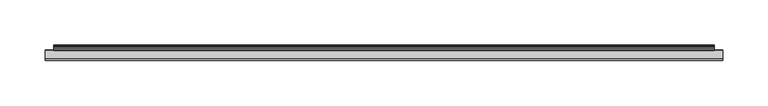
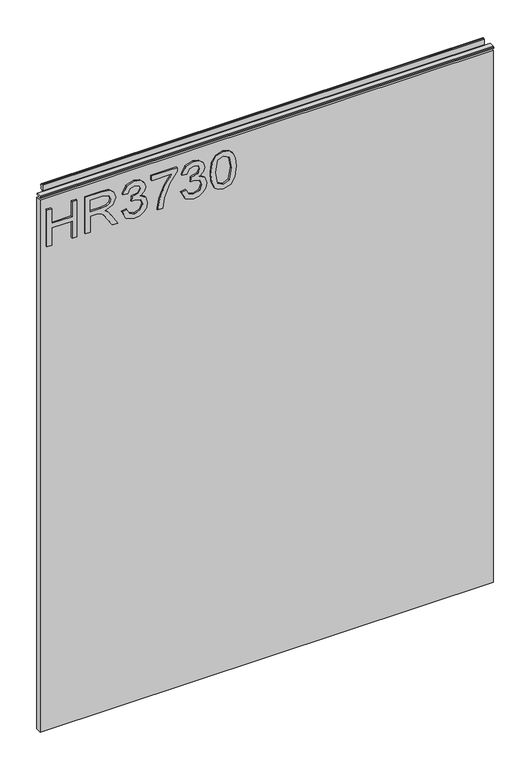
"""IFC4 building model written with IfcOpenShell, lengths in millimetres: furniture geometry."""

from ifc_helpers import new_model, si_unit, frame, origin, place, context, project, spatial, polyline, outline, extrude, source, transform, mapped, element, save


def furniture_7d6abea6(model_context):
    return source(origin(), model_context, "Body", "SweptSolid", [
        extrude(outline(polyline([(951.4078, -288.5795281), (951.4078, -280.6058085), (981.3092486, -280.6058085), (981.3092486, -246.7175001), (951.4078, -246.7175001), (951.4078, -238.7437805), (1015.1975569, -238.7437805), (1015.1975569, -246.7175001), (989.2829682, -246.7175001), (989.2829682, -280.6058085), (1015.1975569, -280.6058085), (1015.1975569, -288.5795281), (951.4078, -288.5795281)])), frame((0.0, -5.6037602, 0.0), z_axis=(0.0, 1.0, 0.0), x_axis=(0.0, 0.0, 1.0)), (0.0, 0.0, 1.0), 2.38125),
        extrude(outline(polyline([(951.4078, -224.7897712), (951.4078, -216.8160515), (979.3158187, -216.8160515), (979.3158187, -207.1915228), (979.0354926, -202.5661424), (977.5170596, -198.7739535), (973.38225, -194.5612755), (964.6298468, -188.5654121), (951.4078, -180.2646454), (951.4078, -170.9983111), (968.694575, -181.6351285), (976.9018996, -188.098202), (980.3125336, -192.6301403), (986.2461023, -179.2757173), (997.7394716, -174.9540235), (1007.3873609, -177.5626135), (1013.4766663, -184.5396181), (1015.1975569, -197.3022416), (1015.1975569, -224.7897712), (951.4078, -224.7897712)]), holes=[polyline([(987.2895383, -216.8160515), (1007.2238373, -216.8160515), (1007.2238373, -196.9596208), (1004.4672975, -186.299443), (997.4435719, -182.9277432), (992.0317211, -184.6953548), (988.4186294, -189.8658136), (987.2895383, -198.9686244), (987.2895383, -216.8160515)])]), frame((0.0, -5.6037602, 0.0), z_axis=(0.0, 1.0, 0.0), x_axis=(0.0, 0.0, 1.0)), (0.0, 0.0, 1.0), 2.38125),
        extrude(outline(polyline([(968.3519542, -163.9901591), (955.4102335, -157.6516749), (950.411085, -143.6665182), (951.8750101, -135.1438267), (956.2667854, -128.2330102), (962.7610063, -123.6543508), (970.5322681, -122.1281311), (980.9043331, -125.1805706), (986.355118, -133.8706791), (991.6345925, -127.3297372), (998.9853653, -125.1182759), (1007.0291664, -127.4465398), (1013.0094562, -134.1743657), (1015.1975569, -143.7911076), (1010.7590607, -156.4680759), (998.2534028, -162.9934441), (997.2566878, -155.0197245), (1004.7320499, -151.110733), (1007.2238373, -143.5107815), (1004.7554105, -136.004272), (998.5181552, -133.0919955), (991.4788558, -137.1100027), (989.2829682, -147.4353467), (981.3092486, -148.3230459), (982.1813742, -142.732098), (978.91869, -133.6682214), (970.6724312, -130.1018507), (961.920028, -133.6993687), (958.3848047, -143.3861922), (960.9544604, -151.6168774), (969.3486691, -156.0164394), (968.3519542, -163.9901591)])), frame((0.0, -5.6037602, 0.0), z_axis=(0.0, 1.0, 0.0), x_axis=(0.0, 0.0, 1.0)), (0.0, 0.0, 1.0), 2.38125),
        extrude(outline(polyline([(1006.2271224, -115.1511264), (1006.2271224, -81.262818), (989.7268178, -93.3168395), (969.3953902, -102.0147348), (951.4078, -105.1839769), (951.4078, -97.2102573), (968.741296, -94.2512597), (990.5989434, -85.1640226), (1007.7533421, -73.2890984), (1014.200842, -73.2890984), (1014.200842, -115.1511264), (1006.2271224, -115.1511264)])), frame((0.0, -5.6037602, 0.0), z_axis=(0.0, 1.0, 0.0), x_axis=(0.0, 0.0, 1.0)), (0.0, 0.0, 1.0), 2.38125),
        extrude(outline(polyline([(968.3519542, -66.3120937), (955.4102335, -59.9736096), (950.411085, -45.9884529), (951.8750101, -37.4657614), (956.2667854, -30.5549448), (962.7610063, -25.9762855), (970.5322681, -24.4500657), (980.9043331, -27.5025053), (986.355118, -36.1926138), (991.6345925, -29.6516719), (998.9853653, -27.4402106), (1007.0291664, -29.7684744), (1013.0094562, -36.4963004), (1015.1975569, -46.1130423), (1010.7590607, -58.7900106), (998.2534028, -65.3153788), (997.2566878, -57.3416592), (1004.7320499, -53.4326677), (1007.2238373, -45.8327162), (1004.7554105, -38.3262067), (998.5181552, -35.4139302), (991.4788558, -39.4319374), (989.2829682, -49.7572813), (981.3092486, -50.6449806), (982.1813742, -45.0540326), (978.91869, -35.9901561), (970.6724312, -32.4237854), (961.920028, -36.0213034), (958.3848047, -45.7081268), (960.9544604, -53.938812), (969.3486691, -58.3383741), (968.3519542, -66.3120937)])), frame((0.0, -5.6037602, 0.0), z_axis=(0.0, 1.0, 0.0), x_axis=(0.0, 0.0, 1.0)), (0.0, 0.0, 1.0), 2.38125),
        extrude(outline(polyline([(982.7887473, -17.4730611), (967.2734775, -15.8845466), (956.4848168, -11.1190033), (951.929518, -4.8272401), (950.411085, 3.4579529), (953.9073742, 15.1304194), (964.5130443, 22.0684899), (982.7887473, 24.3889669), (997.7784058, 22.9406155), (1007.2160505, 19.2029344), (1013.1418324, 12.7710083), (1015.1975569, 3.4579529), (1011.7246283, -8.1677926), (1001.1423188, -15.1292236), (982.7887473, -17.4730611)]), holes=[polyline([(982.804321, -9.4993415), (1002.9566514, -5.637071), (1007.2238373, 3.3645109), (1002.3804256, 12.8021556), (982.804321, 16.4152473), (963.0179718, 12.6775662), (958.3848047, 3.4579529), (963.0023982, -5.7616604), (982.804321, -9.4993415)])]), frame((0.0, -5.6037602, 0.0), z_axis=(0.0, 1.0, 0.0), x_axis=(0.0, 0.0, 1.0)), (0.0, 0.0, 1.0), 2.38125),
        extrude(outline(polyline([(5.5562561, 1041.4), (6.3500061, 1041.4), (6.3500061, 1051.27425), (7.1437561, 1052.068), (8.6677569, 1052.068), (10.0084363, 1051.6506926), (10.875413, 1050.5461816), (10.9623604, 1049.1447591), (10.2390011, 1046.1863459), (10.4046103, 1044.9833307), (11.6746103, 1042.7836103), (10.7786383, 1042.2663244), (7.1437561, 1042.2663244), (7.1437561, 1041.4), (6.3500061, 1041.1669239), (6.3500061, 1033.9578), (5.5562561, 1033.9578), (5.5562561, 1041.4)])), frame((-288.671, 0.0, 0.0), z_axis=(1.0, 0.0, 0.0), x_axis=(0.0, 1.0, 0.0)), (0.0, 0.0, 1.0), 729.742),
        extrude(outline(polyline([(5.5562561, 1041.4), (5.5562561, 1038.2249996), (-3.975094, 1038.2249996), (-5.3492339, 1039.0183657), (-5.3492339, 1040.6066395), (-3.9751037, 1041.4), (5.5562561, 1041.4)])), frame((-298.196, 0.0, 0.0), z_axis=(1.0, 0.0, 0.0), x_axis=(0.0, 1.0, 0.0)), (0.0, 0.0, 1.0), 748.792),
        extrude(outline(polyline([(450.596, 6.3500061), (450.596, -3.1749939), (-298.196, -3.1749939), (-298.196, 6.3500061), (450.596, 6.3500061)])), frame((0.0, 0.0, 104.69626), z_axis=(0.0, 0.0, 1.0), x_axis=(1.0, 0.0, 0.0)), (0.0, 0.0, 1.0), 929.26154),
    ])


if __name__ == "__main__":
    model = new_model("IFC4")
    model_context = context("Model", 3, world=origin())
    ifc_project = project(units=[si_unit("LENGTHUNIT", "METRE", prefix="MILLI")], contexts=[model_context])
    site = spatial("IfcSite", under=ifc_project)
    building = spatial("IfcBuilding", under=site)
    placement = place(None, origin())
    furniture_shape = furniture_7d6abea6(model_context)
    element("IfcFurniture", 1, at=placement, inside=building, context=model_context, shape_type="MappedRepresentation", body=[
        mapped(furniture_shape, transform((0.0, 0.0, 0.0), x_axis=(1.0, 0.0, 0.0), y_axis=(0.0, 1.0, 0.0), z_axis=(0.0, 0.0, 1.0))),
    ])
    save(model, "model.ifc")
